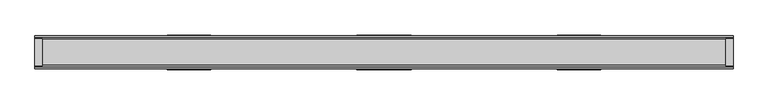
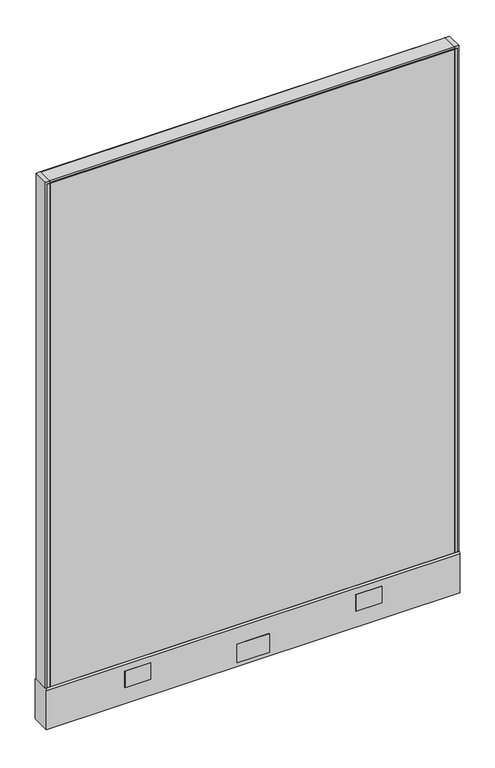
"""IFC4 building model written with IfcOpenShell, lengths in millimetres: furniture geometry."""

from ifc_helpers import new_model, si_unit, point, frame, frame_2d, origin, place, context, project, spatial, polyline, circle_curve, trimmed, segment, composite_curve, outline, extrude, source, transform, mapped, element, save
from ifc_brep_helpers import plane_surface, cylinder_surface, advanced_brep


def furniture_0abe9881(model_context):
    return source(origin(), model_context, "Body", "SolidModel", [
        extrude(outline(polyline([(596.9039688, 25.4), (596.9039688, 0.0), (-596.8960312, 0.0), (-596.8960312, 25.4), (596.9039688, 25.4)])), frame((0.0, 0.0, 136.525), z_axis=(0.0, 0.0, 1.0), x_axis=(1.0, 0.0, 0.0)), (0.0, 0.0, 1.0), 1568.45),
        extrude(outline(polyline([(47.6289688, 28.575), (-47.6210312, 28.575), (-47.6210312, 30.1625), (47.6289688, 30.1625), (47.6289688, 28.575)])), frame((0.0, 0.0, 22.225), z_axis=(0.0, 0.0, 1.0), x_axis=(1.0, 0.0, 0.0)), (0.0, 0.0, 1.0), 57.15),
        extrude(outline(polyline([(47.6289688, -30.1625), (-47.6210312, -30.1625), (-47.6210312, -28.575), (47.6289688, -28.575), (47.6289688, -30.1625)])), frame((0.0, 0.0, 22.225), z_axis=(0.0, 0.0, 1.0), x_axis=(1.0, 0.0, 0.0)), (0.0, 0.0, 1.0), 57.15),
        advanced_brep(
        [(552.45, 0.0, 0.0), (577.85, 0.0, 0.0), (565.15, 0.0, 0.0), (552.45, 0.0, 4.7625), (577.85, 0.0, 4.7625), (558.8, 0.0, 4.7625), (571.5, 0.0, 4.7625), (558.8, 0.0, 111.125), (571.5, 0.0, 111.125), (565.15, 0.0, 111.125)],
        [
            (0, 1, circle_curve(frame((565.15, 0.0, 0.0), z_axis=(0.0, 0.0, -1.0), x_axis=(1.0, 0.0, 0.0)), 12.7)),
            (1, 2),
            (2, 0),
            (1, 0, circle_curve(frame((565.15, 0.0, 0.0), z_axis=(0.0, 0.0, -1.0), x_axis=(1.0, 0.0, 0.0)), 12.7)),
            (3, 4, circle_curve(frame((565.15, 0.0, 4.7625), z_axis=(0.0, 0.0, -1.0), x_axis=(1.0, 0.0, 0.0)), 12.7)),
            (4, 1),
            (0, 3),
            (4, 3, circle_curve(frame((565.15, 0.0, 4.7625), z_axis=(0.0, 0.0, -1.0), x_axis=(1.0, 0.0, 0.0)), 12.7)),
            (5, 6, circle_curve(frame((565.15, 0.0, 4.7625), z_axis=(0.0, 0.0, -1.0), x_axis=(1.0, 0.0, 0.0)), 6.35)),
            (6, 4),
            (3, 5),
            (6, 5, circle_curve(frame((565.15, 0.0, 4.7625), z_axis=(0.0, 0.0, -1.0), x_axis=(1.0, 0.0, 0.0)), 6.35)),
            (7, 8, circle_curve(frame((565.15, 0.0, 111.125), z_axis=(0.0, 0.0, -1.0), x_axis=(1.0, 0.0, 0.0)), 6.35)),
            (8, 6),
            (5, 7),
            (8, 7, circle_curve(frame((565.15, 0.0, 111.125), z_axis=(0.0, 0.0, -1.0), x_axis=(1.0, 0.0, 0.0)), 6.35)),
            (9, 8),
            (7, 9),
        ],
        [
            plane_surface(frame((565.15, 0.0, 0.0), z_axis=(0.0, 0.0, -1.0), x_axis=(1.0, 0.0, 0.0))),
            cylinder_surface(frame((565.15, 0.0, 114.882153), z_axis=(0.0, 0.0, 1.0), x_axis=(1.0, 0.0, 0.0)), 12.7),
            plane_surface(frame((565.15, 0.0, 4.7625), z_axis=(0.0, 0.0, 1.0), x_axis=(1.0, 0.0, 0.0))),
            cylinder_surface(frame((565.15, 0.0, 114.882153), z_axis=(0.0, 0.0, 1.0), x_axis=(1.0, 0.0, 0.0)), 6.35),
            plane_surface(frame((565.15, 0.0, 111.125), z_axis=(0.0, 0.0, 1.0), x_axis=(1.0, 0.0, 0.0))),
        ],
        [
            (0, [[1, 2, 3]]),
            (0, [[4, -3, -2]]),
            (1, [[5, 6, -1, 7]]),
            (1, [[8, -7, -4, -6]]),
            (2, [[9, 10, -5, 11]]),
            (2, [[12, -11, -8, -10]]),
            (3, [[13, 14, -9, 15]]),
            (3, [[16, -15, -12, -14]]),
            (4, [[17, -13, 18]]),
            (4, [[-18, -16, -17]]),
        ],
    ),
        advanced_brep(
        [(-577.85, 0.0, 4.7625), (-552.45, 0.0, 4.7625), (-552.45, 0.0, 0.0), (-577.85, 0.0, 0.0), (-571.5, 0.0, 4.7625), (-558.8, 0.0, 4.7625), (-571.5, 0.0, 111.125), (-558.8, 0.0, 111.125), (-565.15, 0.0, 111.125), (-565.15, 0.0, 0.0)],
        [
            (0, 1, circle_curve(frame((-565.15, 0.0, 4.7625), z_axis=(0.0, 0.0, -1.0), x_axis=(1.0, 0.0, 0.0)), 12.7)),
            (1, 2),
            (2, 3, circle_curve(frame((-565.15, 0.0, 0.0), z_axis=(0.0, 0.0, 1.0), x_axis=(1.0, 0.0, 0.0)), 12.7)),
            (3, 0),
            (1, 0, circle_curve(frame((-565.15, 0.0, 4.7625), z_axis=(0.0, 0.0, -1.0), x_axis=(1.0, 0.0, 0.0)), 12.7)),
            (3, 2, circle_curve(frame((-565.15, 0.0, 0.0), z_axis=(0.0, 0.0, 1.0), x_axis=(1.0, 0.0, 0.0)), 12.7)),
            (4, 5, circle_curve(frame((-565.15, 0.0, 4.7625), z_axis=(0.0, 0.0, -1.0), x_axis=(1.0, 0.0, 0.0)), 6.35)),
            (5, 1),
            (0, 4),
            (5, 4, circle_curve(frame((-565.15, 0.0, 4.7625), z_axis=(0.0, 0.0, -1.0), x_axis=(1.0, 0.0, 0.0)), 6.35)),
            (6, 7, circle_curve(frame((-565.15, 0.0, 111.125), z_axis=(0.0, 0.0, -1.0), x_axis=(1.0, 0.0, 0.0)), 6.35)),
            (7, 5),
            (4, 6),
            (7, 6, circle_curve(frame((-565.15, 0.0, 111.125), z_axis=(0.0, 0.0, -1.0), x_axis=(1.0, 0.0, 0.0)), 6.35)),
            (8, 7),
            (6, 8),
            (2, 9),
            (9, 3),
        ],
        [
            cylinder_surface(frame((-565.15, 0.0, 123.825), z_axis=(0.0, 0.0, 1.0), x_axis=(1.0, 0.0, 0.0)), 12.7),
            plane_surface(frame((-565.15, 0.0, 4.7625), z_axis=(0.0, 0.0, 1.0), x_axis=(1.0, 0.0, 0.0))),
            cylinder_surface(frame((-565.15, 0.0, 123.825), z_axis=(0.0, 0.0, 1.0), x_axis=(1.0, 0.0, 0.0)), 6.35),
            plane_surface(frame((-565.15, 0.0, 111.125), z_axis=(0.0, 0.0, 1.0), x_axis=(1.0, 0.0, 0.0))),
            plane_surface(frame((-565.15, 0.0, 0.0), z_axis=(0.0, 0.0, -1.0), x_axis=(1.0, 0.0, 0.0))),
        ],
        [
            (0, [[1, 2, 3, 4]]),
            (0, [[5, -4, 6, -2]]),
            (1, [[7, 8, -1, 9]]),
            (1, [[10, -9, -5, -8]]),
            (2, [[11, 12, -7, 13]]),
            (2, [[14, -13, -10, -12]]),
            (3, [[15, -11, 16]]),
            (3, [[-16, -14, -15]]),
            (4, [[-3, 17, 18]]),
            (4, [[-6, -18, -17]]),
        ],
    ),
        extrude(outline(polyline([(-609.5960312, 23.8125), (-596.8960313, 23.8125), (-596.8960313, -23.8125), (-609.5960312, -23.8125), (-609.5960312, 23.8125)])), frame((0.0, 0.0, 136.525), z_axis=(0.0, 0.0, 1.0), x_axis=(1.0, 0.0, 0.0)), (0.0, 0.0, 1.0), 1574.8),
        extrude(outline(polyline([(609.6039688, 23.8125), (609.6039688, -23.8125), (596.9039688, -23.8125), (596.9039688, 23.8125), (609.6039688, 23.8125)])), frame((0.0, 0.0, 136.525), z_axis=(0.0, 0.0, 1.0), x_axis=(1.0, 0.0, 0.0)), (0.0, 0.0, 1.0), 1574.8),
        extrude(outline(polyline([(-596.9, 25.4), (-596.9, 23.8125), (-604.8375, 23.8125), (-604.8375, 25.4), (-596.9, 25.4)])), frame((0.0, 0.0, 136.525), z_axis=(0.0, 0.0, 1.0), x_axis=(1.0, 0.0, 0.0)), (0.0, 0.0, 1.0), 1568.45),
        extrude(outline(polyline([(-596.9, -25.4), (-604.8375, -25.4), (-604.8375, -23.8125), (-596.9, -23.8125), (-596.9, -25.4)])), frame((0.0, 0.0, 136.525), z_axis=(0.0, 0.0, 1.0), x_axis=(1.0, 0.0, 0.0)), (0.0, 0.0, 1.0), 1568.45),
        extrude(outline(polyline([(604.8375, 25.4), (604.8375, 23.8125), (596.9, 23.8125), (596.9, 25.4), (604.8375, 25.4)])), frame((0.0, 0.0, 136.525), z_axis=(0.0, 0.0, 1.0), x_axis=(1.0, 0.0, 0.0)), (0.0, 0.0, 1.0), 1568.45),
        extrude(outline(polyline([(596.9, -23.8125), (604.8375, -23.8125), (604.8375, -25.4), (596.9, -25.4), (596.9, -23.8125)])), frame((0.0, 0.0, 136.525), z_axis=(0.0, 0.0, 1.0), x_axis=(1.0, 0.0, 0.0)), (0.0, 0.0, 1.0), 1568.45),
        extrude(outline(composite_curve([segment(trimmed(circle_curve(frame_2d((22.225, 1708.15)), 3.175), [point((22.225, 1711.325))], [point((25.4, 1708.15))], False, "CARTESIAN"), True, "CONTINUOUS"), segment(polyline([(25.4, 1708.15), (25.4, 1704.975), (-25.4, 1704.975), (-25.4, 1708.15)]), True, "CONTINUOUS"), segment(trimmed(circle_curve(frame_2d((-22.225, 1708.15)), 3.175), [point((-25.4, 1708.15))], [point((-22.225, 1711.325))], False, "CARTESIAN"), True, "CONTINUOUS"), segment(polyline([(-22.225, 1711.325), (22.225, 1711.325)]), True, "CONTINUOUS")], self_intersect=False)), frame((-596.8960312, 0.0, 0.0), z_axis=(1.0, 0.0, 0.0), x_axis=(0.0, 1.0, 0.0)), (0.0, 0.0, 1.0), 1193.8),
        extrude(outline(polyline([(378.7179688, 30.1625), (378.7179688, 28.575), (302.4101528, 28.575), (302.4101528, 30.1625), (378.7179688, 30.1625)])), frame((0.0, 0.0, 60.325), z_axis=(0.0, 0.0, 1.0), x_axis=(1.0, 0.0, 0.0)), (0.0, 0.0, 1.0), 50.8),
        extrude(outline(polyline([(-302.4022153, 30.1625), (-302.4022153, 28.575), (-378.7100312, 28.575), (-378.7100312, 30.1625), (-302.4022153, 30.1625)])), frame((0.0, 0.0, 60.325), z_axis=(0.0, 0.0, 1.0), x_axis=(1.0, 0.0, 0.0)), (0.0, 0.0, 1.0), 50.8),
        extrude(outline(polyline([(378.7179688, -28.575), (378.7179688, -30.1625), (302.4101528, -30.1625), (302.4101528, -28.575), (378.7179688, -28.575)])), frame((0.0, 0.0, 60.325), z_axis=(0.0, 0.0, 1.0), x_axis=(1.0, 0.0, 0.0)), (0.0, 0.0, 1.0), 50.8),
        extrude(outline(polyline([(-302.4022153, -28.575), (-302.4022153, -30.1625), (-378.7100312, -30.1625), (-378.7100312, -28.575), (-302.4022153, -28.575)])), frame((0.0, 0.0, 60.325), z_axis=(0.0, 0.0, 1.0), x_axis=(1.0, 0.0, 0.0)), (0.0, 0.0, 1.0), 50.8),
        extrude(outline(composite_curve([segment(trimmed(circle_curve(frame_2d((20.6375, 130.175)), 7.9375), [point((25.4, 136.525))], [point((28.575, 130.175))], False, "CARTESIAN"), True, "CONTINUOUS"), segment(polyline([(28.575, 130.175), (28.575, 9.525), (-28.575, 9.525), (-28.575, 130.175)]), True, "CONTINUOUS"), segment(trimmed(circle_curve(frame_2d((-20.6375, 130.175)), 7.9375), [point((-28.575, 130.175))], [point((-25.4, 136.525))], False, "CARTESIAN"), True, "CONTINUOUS"), segment(polyline([(-25.4, 136.525), (25.4, 136.525)]), True, "CONTINUOUS")], self_intersect=False)), frame((-609.5960312, 0.0, 0.0), z_axis=(1.0, 0.0, 0.0), x_axis=(0.0, 1.0, 0.0)), (0.0, 0.0, 1.0), 1219.2),
        extrude(outline(polyline([(596.9039688, 0.0), (596.9039688, -25.4), (-596.8960312, -25.4), (-596.8960312, 0.0), (596.9039688, 0.0)])), frame((0.0, 0.0, 136.525), z_axis=(0.0, 0.0, 1.0), x_axis=(1.0, 0.0, 0.0)), (0.0, 0.0, 1.0), 1568.45),
    ])


if __name__ == "__main__":
    model = new_model("IFC4")
    model_context = context("Model", 3, world=origin())
    ifc_project = project(units=[si_unit("LENGTHUNIT", "METRE", prefix="MILLI")], contexts=[model_context])
    site = spatial("IfcSite", under=ifc_project)
    building = spatial("IfcBuilding", under=site)
    placement = place(None, origin())
    furniture_shape = furniture_0abe9881(model_context)
    element("IfcFurniture", 1, at=placement, inside=building, context=model_context, shape_type="MappedRepresentation", body=[
        mapped(furniture_shape, transform((0.0, 0.0, 0.0), x_axis=(1.0, 0.0, 0.0), y_axis=(0.0, 1.0, 0.0), z_axis=(0.0, 0.0, 1.0))),
    ])
    save(model, "model.ifc")
